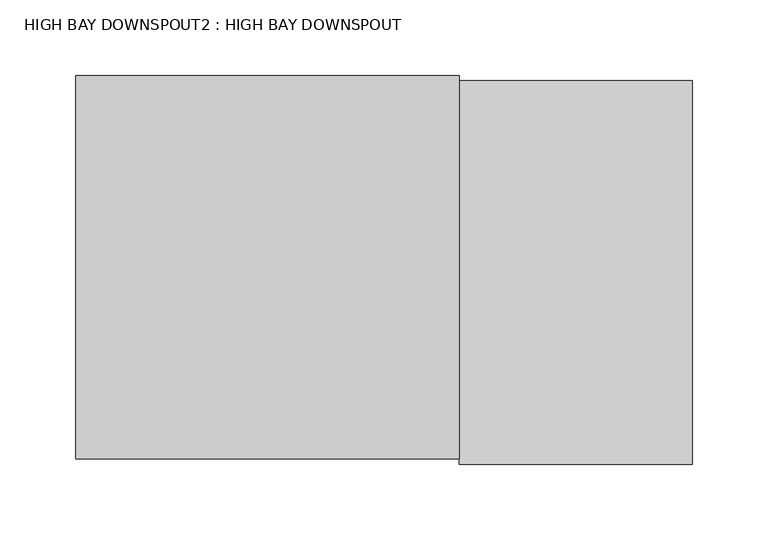
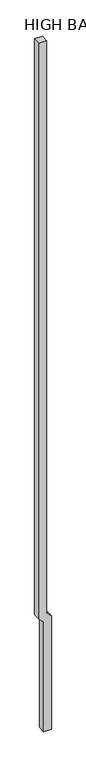
"""IFC4 building model written with IfcOpenShell, lengths in millimetres: proxy geometry, HIGH BAY DOWNSPOUT2 : HIGH BAY DOWNSPOUT."""

import ifcopenshell
import ifcopenshell.guid

model = None  # the IFC model being written
_history = None  # IfcOwnerHistory: only IFC2X3 demands one
_inside = {}  # id of a spatial element -> (the spatial element, [elements in it])
_under = {}  # id of a project, library or spatial element -> (it, [spatial elements below it])
_declared = {}  # id of a project -> (the project, [libraries it declares])
_typed = {}  # id of a type object -> (the type object, [elements of that type])
_made_of = {}  # id of a material, layer set ... -> (it, [elements and type objects made of it])


def new_model(schema):
    """Start an empty IFC model of exactly this schema.

    Asked for "IFC4X3", IfcOpenShell would pick the latest addendum, in which some entities
    have other attributes; the version numbers below select the first issue.
    IFC2X3 requires an IfcOwnerHistory on every rooted entity: one is made here for all.
    """
    global model, _history
    if schema == "IFC4X3":
        model = ifcopenshell.file(schema_version=(4, 3, 0, 0))
    else:
        model = ifcopenshell.file(schema=schema)
    _inside.clear()
    _under.clear()
    _declared.clear()
    _typed.clear()
    _made_of.clear()
    _history = None
    if model.schema == "IFC2X3":
        org = make("IfcOrganization", Name="unknown")
        user = make(
            "IfcPersonAndOrganization",
            ThePerson=make("IfcPerson", FamilyName="unknown"),
            TheOrganization=org,
        )
        app = make(
            "IfcApplication",
            ApplicationDeveloper=org,
            Version="unknown",
            ApplicationFullName="unknown",
            ApplicationIdentifier="unknown",
        )
        _history = make(
            "IfcOwnerHistory",
            OwningUser=user,
            OwningApplication=app,
            ChangeAction="ADDED",
            CreationDate=0,
        )
    return model


def make(cls, **values):
    """One entity of the class cls with the attributes given. An attribute that is None is left unset."""
    return model.create_entity(
        cls, **{name: value for name, value in values.items() if value is not None}
    )


def rooted(cls, **values):
    """An entity with a GlobalId (a new one), such as an element, a storey or a relation."""
    return make(cls, GlobalId=ifcopenshell.guid.new(), OwnerHistory=_history, **values)


def si_unit(unit_type, name, prefix=None):
    """IfcSIUnit, for example si_unit("LENGTHUNIT", "METRE", prefix="MILLI")."""
    return make("IfcSIUnit", UnitType=unit_type, Prefix=prefix, Name=name)


def assignment(units):
    """IfcUnitAssignment: the units of a project."""
    return None if units is None else make("IfcUnitAssignment", Units=units)


def point(xyz):
    """IfcCartesianPoint."""
    return None if xyz is None else make("IfcCartesianPoint", Coordinates=xyz)


def direction(xyz):
    """IfcDirection."""
    return None if xyz is None else make("IfcDirection", DirectionRatios=xyz)


def frame(location, z_axis=None, x_axis=None):
    """IfcAxis2Placement3D, a coordinate frame: its origin and axes. An axis left out is left unset."""
    return make(
        "IfcAxis2Placement3D",
        Location=point(location),
        Axis=direction(z_axis),
        RefDirection=direction(x_axis),
    )


def origin():
    """The frame at (0, 0, 0) with its axes left unset."""
    return frame((0.0, 0.0, 0.0))


def place(relative_to, where):
    """IfcLocalPlacement: puts the frame where relative to a parent placement (None: the world)."""
    return make(
        "IfcLocalPlacement", PlacementRelTo=relative_to, RelativePlacement=where
    )


def context(
    kind, dimensions, precision=None, world=None, true_north=None, identifier=None
):
    """IfcGeometricRepresentationContext, for example the 3D "Model" context."""
    return make(
        "IfcGeometricRepresentationContext",
        ContextIdentifier=identifier,
        ContextType=kind,
        CoordinateSpaceDimension=dimensions,
        Precision=precision,
        WorldCoordinateSystem=world,
        TrueNorth=true_north,
    )


def project(units=None, contexts=None):
    """IfcProject with its units and contexts."""
    return rooted(
        "IfcProject",
        Name="project",
        RepresentationContexts=contexts,
        UnitsInContext=assignment(units),
    )


def spatial(cls, under=None, at=None, **own):
    """A site, building, storey or space (cls), placed at a placement, below another one or the project."""
    s = rooted(cls, ObjectPlacement=at, **own)
    if under is not None:
        _under.setdefault(under.id(), (under, []))[1].append(s)
    return s


def polyline(points):
    """IfcPolyline through the points."""
    return make("IfcPolyline", Points=[point(p) for p in points])


def outline(outer, holes=None, kind="AREA"):
    """IfcArbitraryClosedProfileDef: a profile drawn as a closed curve; with holes, ...WithVoids."""
    if holes is None:
        return make("IfcArbitraryClosedProfileDef", ProfileType=kind, OuterCurve=outer)
    return make(
        "IfcArbitraryProfileDefWithVoids",
        ProfileType=kind,
        OuterCurve=outer,
        InnerCurves=holes,
    )


def extrude(swept, where, along, depth):
    """IfcExtrudedAreaSolid: the profile swept, set in the frame where, extruded along a direction by depth."""
    return make(
        "IfcExtrudedAreaSolid",
        SweptArea=swept,
        Position=where,
        ExtrudedDirection=direction(along),
        Depth=depth,
    )


def shape(context_of_items, identifier, shape_type, items):
    """IfcShapeRepresentation: the items that make up one representation, for example the "Body"."""
    return make(
        "IfcShapeRepresentation",
        ContextOfItems=context_of_items,
        RepresentationIdentifier=identifier,
        RepresentationType=shape_type,
        Items=items,
    )


def source(mapping_origin, context_of_items, identifier, shape_type, items):
    """IfcRepresentationMap: a shape defined once, which mapped items show again and again."""
    return make(
        "IfcRepresentationMap",
        MappingOrigin=mapping_origin,
        MappedRepresentation=shape(context_of_items, identifier, shape_type, items),
    )


def transform(
    local_origin,
    x_axis=None,
    y_axis=None,
    z_axis=None,
    scale=None,
    scale2=None,
    scale3=None,
    uniform=True,
):
    """IfcCartesianTransformationOperator3D, or its non-uniform kind. x_axis, y_axis, z_axis: its Axis1, 2, 3."""
    if uniform:
        return make(
            "IfcCartesianTransformationOperator3D",
            Axis1=direction(x_axis),
            Axis2=direction(y_axis),
            LocalOrigin=point(local_origin),
            Scale=scale,
            Axis3=direction(z_axis),
        )
    return make(
        "IfcCartesianTransformationOperator3DnonUniform",
        Axis1=direction(x_axis),
        Axis2=direction(y_axis),
        LocalOrigin=point(local_origin),
        Scale=scale,
        Axis3=direction(z_axis),
        Scale2=scale2,
        Scale3=scale3,
    )


def mapped(mapping_source, mapping_target):
    """IfcMappedItem: shows the shape of a source again, moved by a transform."""
    return make(
        "IfcMappedItem", MappingSource=mapping_source, MappingTarget=mapping_target
    )


def made_of(thing, what):
    """Note that an element or type object is made of a material, layer set ...; save() writes the relation."""
    if what is not None:
        _made_of.setdefault(what.id(), (what, []))[1].append(thing)
    return thing


def element(
    cls,
    number,
    at=None,
    inside=None,
    cuts=None,
    type_object=None,
    material=None,
    context=None,
    identifier="Body",
    shape_type=None,
    held_by="IfcProductDefinitionShape",
    body=None,
    shapes=None,
    **own,
):
    """One element of the class cls, such as IfcWall. Its Tag is "e" and its number.

    at: its placement. inside: the storey or other place that contains it. cuts: it is an
    opening in that element (IfcRelVoidsElement). A single representation is given by context,
    identifier, shape_type and body (its items); several are given by shapes. held_by: the class
    of the entity that holds the representations. save() writes the other relations.
    """
    e = rooted(cls, Tag="e%d" % number, ObjectPlacement=at, **own)
    if body is not None:
        shapes = [shape(context, identifier, shape_type, body)]
    if shapes is not None:
        e.Representation = make(held_by, Representations=shapes)
    if inside is not None:
        _inside.setdefault(inside.id(), (inside, []))[1].append(e)
    if cuts is not None:
        rooted(
            "IfcRelVoidsElement", RelatingBuildingElement=cuts, RelatedOpeningElement=e
        )
    if type_object is not None:
        _typed.setdefault(type_object.id(), (type_object, []))[1].append(e)
    return made_of(e, material)


def aggregate(whole, parts):
    """IfcRelAggregates: a whole, such as a stair, and the parts it consists of."""
    return rooted("IfcRelAggregates", RelatingObject=whole, RelatedObjects=parts)


def save(model, path):
    """Write the relations noted so far, then the file.

    IfcRelAggregates (storeys below a building ...), IfcRelContainedInSpatialStructure (elements
    in a storey), IfcRelDefinesByType, IfcRelAssociatesMaterial and IfcRelDeclares: one each for
    every whole, place, type object, material and project.
    """
    for whole, parts in _under.values():
        aggregate(whole, parts)
    for where, things in _inside.values():
        rooted(
            "IfcRelContainedInSpatialStructure",
            RelatedElements=things,
            RelatingStructure=where,
        )
    for kind, things in _typed.values():
        rooted("IfcRelDefinesByType", RelatedObjects=things, RelatingType=kind)
    for what, things in _made_of.values():
        rooted("IfcRelAssociatesMaterial", RelatedObjects=things, RelatingMaterial=what)
    for by, libraries in _declared.values():
        rooted("IfcRelDeclares", RelatingContext=by, RelatedDefinitions=libraries)
    model.write(path)


def high_bay_downspout2_high_bay_downspout_d113210a(model_context):
    return source(origin(), model_context, "Body", "SweptSolid", [
        extrude(outline(polyline([(3812.8952871, 453586.9300686), (3658.5979747, 453741.2273809), (-203.2, 453741.2273809), (-203.2, 453995.2273809), (3788.695375, 453995.2273809), (3942.9926874, 453840.9300686), (24078.7887487, 453840.9300686), (24078.7887487, 453586.9300686), (3812.8952871, 453586.9300686)])), frame((0.0, -40280.131824, 0.0), z_axis=(0.0, 1.0, 0.0), x_axis=(0.0, 0.0, 1.0)), (0.0, 0.0, 1.0), 254.0),
    ])


if __name__ == "__main__":
    model = new_model("IFC4")
    model_context = context("Model", 3, world=origin())
    ifc_project = project(units=[si_unit("LENGTHUNIT", "METRE", prefix="MILLI")], contexts=[model_context])
    site = spatial("IfcSite", under=ifc_project)
    building = spatial("IfcBuilding", under=site)
    placement = place(None, origin())
    high_bay_downspout2_high_bay_downspout_shape = high_bay_downspout2_high_bay_downspout_d113210a(model_context)
    element("IfcBuildingElementProxy", 1, Name="HIGH BAY DOWNSPOUT2 : HIGH BAY DOWNSPOUT", ObjectType="HIGH BAY DOWNSPOUT2 : HIGH BAY DOWNSPOUT", at=placement, inside=building, context=model_context, shape_type="MappedRepresentation", body=[
        mapped(high_bay_downspout2_high_bay_downspout_shape, transform((0.0, 0.0, 0.0), x_axis=(1.0, 0.0, 0.0), y_axis=(0.0, 1.0, 0.0), z_axis=(0.0, 0.0, 1.0))),
    ])
    save(model, "model.ifc")
